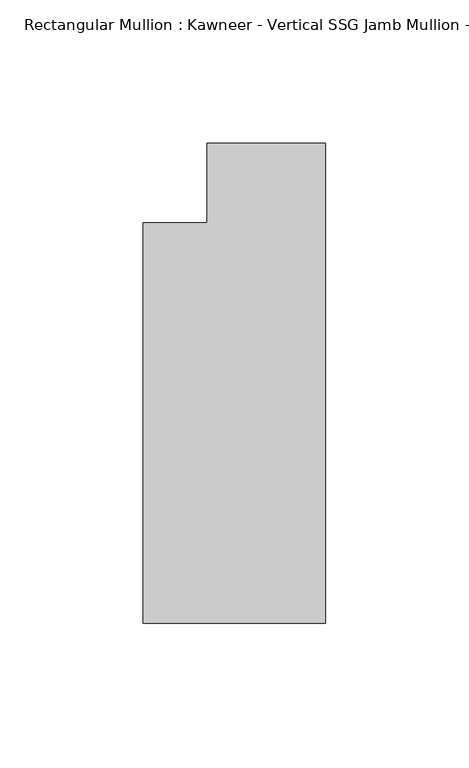
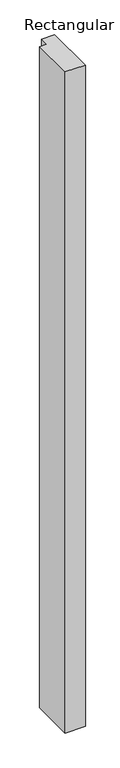
"""IFC4 building model written with IfcOpenShell, lengths in millimetres: member geometry."""

from ifc_helpers import new_model, si_unit, frame, origin, place, context, project, spatial, polyline, outline, extrude, source, transform, mapped, element, save


def member_dcd91a6f(model_context):
    return source(origin(), model_context, "Body", "SweptSolid", [
        extrude(outline(polyline([(0.0, -152.399995), (-63.5, -152.399995), (-63.5, -12.7), (-41.2751132, -12.7), (-41.2751132, 14.8599091), (0.0, 14.8599091), (0.0, -152.399995)])), frame((0.0, 0.0, -2209.3326946), z_axis=(0.0, 0.0, 1.0), x_axis=(1.0, 0.0, 0.0)), (0.0, 0.0, 1.0), 2209.3326946),
    ])


if __name__ == "__main__":
    model = new_model("IFC4")
    model_context = context("Model", 3, world=origin())
    ifc_project = project(units=[si_unit("LENGTHUNIT", "METRE", prefix="MILLI")], contexts=[model_context])
    site = spatial("IfcSite", under=ifc_project)
    building = spatial("IfcBuilding", under=site)
    placement = place(None, origin())
    member_shape = member_dcd91a6f(model_context)
    element("IfcMember", 1, ObjectType="Rectangular Mullion : Kawneer - Vertical SSG Jamb Mullion - 7 1/2\" - Right", at=placement, inside=building, context=model_context, shape_type="MappedRepresentation", body=[
        mapped(member_shape, transform((0.0, 0.0, 0.0), x_axis=(1.0, 0.0, 0.0), y_axis=(0.0, 1.0, 0.0), z_axis=(0.0, 0.0, 1.0))),
    ])
    save(model, "model.ifc")
